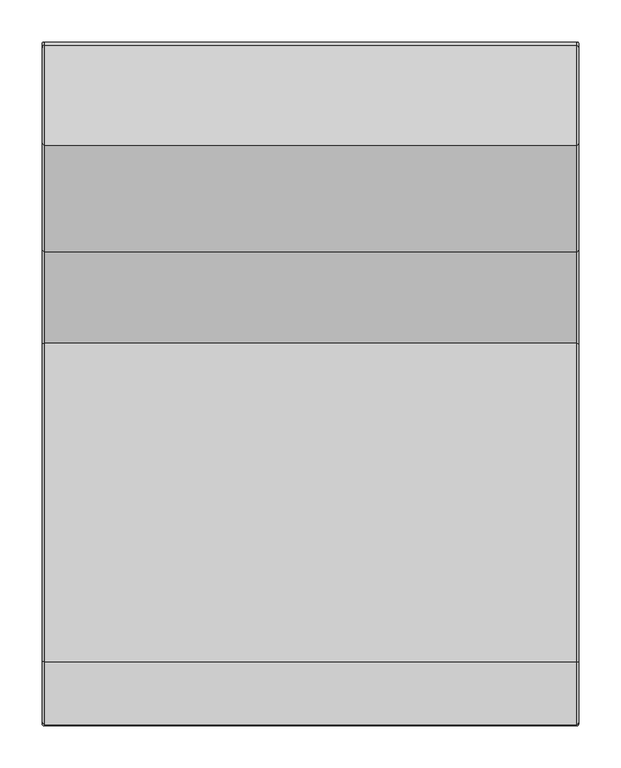
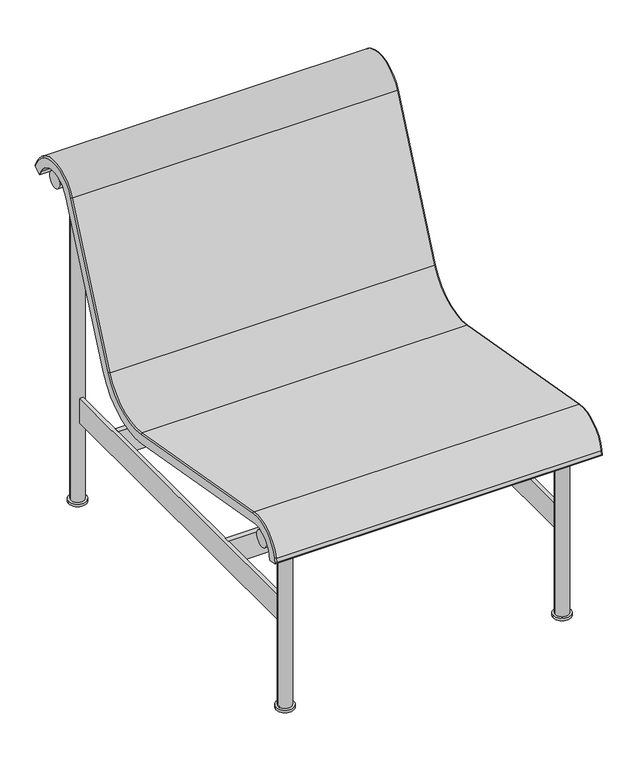
"""IFC4 building model written with IfcOpenShell, lengths in millimetres: furniture geometry."""

import ifcopenshell
import ifcopenshell.guid

model = None  # the IFC model being written
_history = None  # IfcOwnerHistory: only IFC2X3 demands one
_inside = {}  # id of a spatial element -> (the spatial element, [elements in it])
_under = {}  # id of a project, library or spatial element -> (it, [spatial elements below it])
_declared = {}  # id of a project -> (the project, [libraries it declares])
_typed = {}  # id of a type object -> (the type object, [elements of that type])
_made_of = {}  # id of a material, layer set ... -> (it, [elements and type objects made of it])


def new_model(schema):
    """Start an empty IFC model of exactly this schema.

    Asked for "IFC4X3", IfcOpenShell would pick the latest addendum, in which some entities
    have other attributes; the version numbers below select the first issue.
    IFC2X3 requires an IfcOwnerHistory on every rooted entity: one is made here for all.
    """
    global model, _history
    if schema == "IFC4X3":
        model = ifcopenshell.file(schema_version=(4, 3, 0, 0))
    else:
        model = ifcopenshell.file(schema=schema)
    _inside.clear()
    _under.clear()
    _declared.clear()
    _typed.clear()
    _made_of.clear()
    _history = None
    if model.schema == "IFC2X3":
        org = make("IfcOrganization", Name="unknown")
        user = make(
            "IfcPersonAndOrganization",
            ThePerson=make("IfcPerson", FamilyName="unknown"),
            TheOrganization=org,
        )
        app = make(
            "IfcApplication",
            ApplicationDeveloper=org,
            Version="unknown",
            ApplicationFullName="unknown",
            ApplicationIdentifier="unknown",
        )
        _history = make(
            "IfcOwnerHistory",
            OwningUser=user,
            OwningApplication=app,
            ChangeAction="ADDED",
            CreationDate=0,
        )
    return model


def make(cls, **values):
    """One entity of the class cls with the attributes given. An attribute that is None is left unset."""
    return model.create_entity(
        cls, **{name: value for name, value in values.items() if value is not None}
    )


def rooted(cls, **values):
    """An entity with a GlobalId (a new one), such as an element, a storey or a relation."""
    return make(cls, GlobalId=ifcopenshell.guid.new(), OwnerHistory=_history, **values)


def si_unit(unit_type, name, prefix=None):
    """IfcSIUnit, for example si_unit("LENGTHUNIT", "METRE", prefix="MILLI")."""
    return make("IfcSIUnit", UnitType=unit_type, Prefix=prefix, Name=name)


def assignment(units):
    """IfcUnitAssignment: the units of a project."""
    return None if units is None else make("IfcUnitAssignment", Units=units)


def point(xyz):
    """IfcCartesianPoint."""
    return None if xyz is None else make("IfcCartesianPoint", Coordinates=xyz)


def direction(xyz):
    """IfcDirection."""
    return None if xyz is None else make("IfcDirection", DirectionRatios=xyz)


def frame(location, z_axis=None, x_axis=None):
    """IfcAxis2Placement3D, a coordinate frame: its origin and axes. An axis left out is left unset."""
    return make(
        "IfcAxis2Placement3D",
        Location=point(location),
        Axis=direction(z_axis),
        RefDirection=direction(x_axis),
    )


def frame_2d(location, x_axis=None):
    """IfcAxis2Placement2D, a coordinate frame in the plane: its origin and x axis."""
    return make(
        "IfcAxis2Placement2D", Location=point(location), RefDirection=direction(x_axis)
    )


def origin():
    """The frame at (0, 0, 0) with its axes left unset."""
    return frame((0.0, 0.0, 0.0))


def origin_with_axes():
    """The frame at (0, 0, 0) with the z axis (0, 0, 1) and the x axis (1, 0, 0) written out."""
    return frame((0.0, 0.0, 0.0), z_axis=(0.0, 0.0, 1.0), x_axis=(1.0, 0.0, 0.0))


def place(relative_to, where):
    """IfcLocalPlacement: puts the frame where relative to a parent placement (None: the world)."""
    return make(
        "IfcLocalPlacement", PlacementRelTo=relative_to, RelativePlacement=where
    )


def context(
    kind, dimensions, precision=None, world=None, true_north=None, identifier=None
):
    """IfcGeometricRepresentationContext, for example the 3D "Model" context."""
    return make(
        "IfcGeometricRepresentationContext",
        ContextIdentifier=identifier,
        ContextType=kind,
        CoordinateSpaceDimension=dimensions,
        Precision=precision,
        WorldCoordinateSystem=world,
        TrueNorth=true_north,
    )


def project(units=None, contexts=None):
    """IfcProject with its units and contexts."""
    return rooted(
        "IfcProject",
        Name="project",
        RepresentationContexts=contexts,
        UnitsInContext=assignment(units),
    )


def spatial(cls, under=None, at=None, **own):
    """A site, building, storey or space (cls), placed at a placement, below another one or the project."""
    s = rooted(cls, ObjectPlacement=at, **own)
    if under is not None:
        _under.setdefault(under.id(), (under, []))[1].append(s)
    return s


def polyline(points):
    """IfcPolyline through the points."""
    return make("IfcPolyline", Points=[point(p) for p in points])


def circle_curve(where, radius):
    """IfcCircle in the frame where."""
    return make("IfcCircle", Position=where, Radius=radius)


def ellipse_curve(where, semi_axis1, semi_axis2):
    """IfcEllipse in the frame where."""
    return make(
        "IfcEllipse", Position=where, SemiAxis1=semi_axis1, SemiAxis2=semi_axis2
    )


def trimmed(basis, trim1, trim2, sense, master):
    """IfcTrimmedCurve: the piece of a basis curve between two trims."""
    return make(
        "IfcTrimmedCurve",
        BasisCurve=basis,
        Trim1=trim1,
        Trim2=trim2,
        SenseAgreement=sense,
        MasterRepresentation=master,
    )


def segment(curve, same_sense, transition):
    """IfcCompositeCurveSegment."""
    return make(
        "IfcCompositeCurveSegment",
        Transition=transition,
        SameSense=same_sense,
        ParentCurve=curve,
    )


def composite_curve(segments, self_intersect=None):
    """IfcCompositeCurve: segments joined end to end."""
    return make("IfcCompositeCurve", Segments=segments, SelfIntersect=self_intersect)


def outline(outer, holes=None, kind="AREA"):
    """IfcArbitraryClosedProfileDef: a profile drawn as a closed curve; with holes, ...WithVoids."""
    if holes is None:
        return make("IfcArbitraryClosedProfileDef", ProfileType=kind, OuterCurve=outer)
    return make(
        "IfcArbitraryProfileDefWithVoids",
        ProfileType=kind,
        OuterCurve=outer,
        InnerCurves=holes,
    )


def extrude(swept, where, along, depth):
    """IfcExtrudedAreaSolid: the profile swept, set in the frame where, extruded along a direction by depth."""
    return make(
        "IfcExtrudedAreaSolid",
        SweptArea=swept,
        Position=where,
        ExtrudedDirection=direction(along),
        Depth=depth,
    )


def shape(context_of_items, identifier, shape_type, items):
    """IfcShapeRepresentation: the items that make up one representation, for example the "Body"."""
    return make(
        "IfcShapeRepresentation",
        ContextOfItems=context_of_items,
        RepresentationIdentifier=identifier,
        RepresentationType=shape_type,
        Items=items,
    )


def source(mapping_origin, context_of_items, identifier, shape_type, items):
    """IfcRepresentationMap: a shape defined once, which mapped items show again and again."""
    return make(
        "IfcRepresentationMap",
        MappingOrigin=mapping_origin,
        MappedRepresentation=shape(context_of_items, identifier, shape_type, items),
    )


def transform(
    local_origin,
    x_axis=None,
    y_axis=None,
    z_axis=None,
    scale=None,
    scale2=None,
    scale3=None,
    uniform=True,
):
    """IfcCartesianTransformationOperator3D, or its non-uniform kind. x_axis, y_axis, z_axis: its Axis1, 2, 3."""
    if uniform:
        return make(
            "IfcCartesianTransformationOperator3D",
            Axis1=direction(x_axis),
            Axis2=direction(y_axis),
            LocalOrigin=point(local_origin),
            Scale=scale,
            Axis3=direction(z_axis),
        )
    return make(
        "IfcCartesianTransformationOperator3DnonUniform",
        Axis1=direction(x_axis),
        Axis2=direction(y_axis),
        LocalOrigin=point(local_origin),
        Scale=scale,
        Axis3=direction(z_axis),
        Scale2=scale2,
        Scale3=scale3,
    )


def mapped(mapping_source, mapping_target):
    """IfcMappedItem: shows the shape of a source again, moved by a transform."""
    return make(
        "IfcMappedItem", MappingSource=mapping_source, MappingTarget=mapping_target
    )


def made_of(thing, what):
    """Note that an element or type object is made of a material, layer set ...; save() writes the relation."""
    if what is not None:
        _made_of.setdefault(what.id(), (what, []))[1].append(thing)
    return thing


def element(
    cls,
    number,
    at=None,
    inside=None,
    cuts=None,
    type_object=None,
    material=None,
    context=None,
    identifier="Body",
    shape_type=None,
    held_by="IfcProductDefinitionShape",
    body=None,
    shapes=None,
    **own,
):
    """One element of the class cls, such as IfcWall. Its Tag is "e" and its number.

    at: its placement. inside: the storey or other place that contains it. cuts: it is an
    opening in that element (IfcRelVoidsElement). A single representation is given by context,
    identifier, shape_type and body (its items); several are given by shapes. held_by: the class
    of the entity that holds the representations. save() writes the other relations.
    """
    e = rooted(cls, Tag="e%d" % number, ObjectPlacement=at, **own)
    if body is not None:
        shapes = [shape(context, identifier, shape_type, body)]
    if shapes is not None:
        e.Representation = make(held_by, Representations=shapes)
    if inside is not None:
        _inside.setdefault(inside.id(), (inside, []))[1].append(e)
    if cuts is not None:
        rooted(
            "IfcRelVoidsElement", RelatingBuildingElement=cuts, RelatedOpeningElement=e
        )
    if type_object is not None:
        _typed.setdefault(type_object.id(), (type_object, []))[1].append(e)
    return made_of(e, material)


def aggregate(whole, parts):
    """IfcRelAggregates: a whole, such as a stair, and the parts it consists of."""
    return rooted("IfcRelAggregates", RelatingObject=whole, RelatedObjects=parts)


def save(model, path):
    """Write the relations noted so far, then the file.

    IfcRelAggregates (storeys below a building ...), IfcRelContainedInSpatialStructure (elements
    in a storey), IfcRelDefinesByType, IfcRelAssociatesMaterial and IfcRelDeclares: one each for
    every whole, place, type object, material and project.
    """
    for whole, parts in _under.values():
        aggregate(whole, parts)
    for where, things in _inside.values():
        rooted(
            "IfcRelContainedInSpatialStructure",
            RelatedElements=things,
            RelatingStructure=where,
        )
    for kind, things in _typed.values():
        rooted("IfcRelDefinesByType", RelatedObjects=things, RelatingType=kind)
    for what, things in _made_of.values():
        rooted("IfcRelAssociatesMaterial", RelatedObjects=things, RelatingMaterial=what)
    for by, libraries in _declared.values():
        rooted("IfcRelDeclares", RelatingContext=by, RelatedDefinitions=libraries)
    model.write(path)


def plane_surface(at):
    """IfcPlane: the flat surface through the origin of the frame at, square to its z axis."""
    return make("IfcPlane", Position=at)


def cylinder_surface(at, radius):
    """IfcCylindricalSurface: all points at the distance radius from the z axis of the frame at."""
    return make("IfcCylindricalSurface", Position=at, Radius=radius)


def revolved_surface(curve, axis_point, axis_direction):
    """IfcSurfaceOfRevolution: the curve turned about the line through axis_point along axis_direction."""
    return make(
        "IfcSurfaceOfRevolution",
        SweptCurve=make("IfcArbitraryOpenProfileDef", ProfileType="CURVE", Curve=curve),
        AxisPosition=make("IfcAxis1Placement", Location=point(axis_point), Axis=direction(axis_direction)),
    )


def advanced_brep(points, edges, surfaces, faces):
    """IfcAdvancedBrep: a solid bounded by faces that lie on surfaces and meet in shared edges.

    An edge is (start, end): straight between two places in points (the first is 0);
    or (start, end, curve); or (start, end, curve, False) where it runs against its curve.
    A face is (place in surfaces, loops), or (place, loops, False) where it looks against
    its surface's normal. A loop lists edges by number (the first is 1), with a minus sign
    where the edge is run from its end to its start. The first loop is the outer one.
    """
    corners = [point(p) for p in points]
    vertices = [make("IfcVertexPoint", VertexGeometry=c) for c in corners]
    made = []
    for start, end, *more in edges:
        made.append(
            make(
                "IfcEdgeCurve",
                EdgeStart=vertices[start],
                EdgeEnd=vertices[end],
                EdgeGeometry=more[0] if more else make("IfcPolyline", Points=[corners[start], corners[end]]),
                SameSense=more[1] if len(more) > 1 else True,
            )
        )
    hull = []
    for where, loops, *sense in faces:
        bounds = []
        for j, loop in enumerate(loops):
            ring = [make("IfcOrientedEdge", EdgeElement=made[abs(k) - 1], Orientation=k > 0) for k in loop]
            bounds.append(
                make(
                    "IfcFaceOuterBound" if j == 0 else "IfcFaceBound",
                    Bound=make("IfcEdgeLoop", EdgeList=ring),
                    Orientation=True,
                )
            )
        hull.append(make("IfcAdvancedFace", Bounds=bounds, FaceSurface=surfaces[where], SameSense=sense[0] if sense else True))
    return make("IfcAdvancedBrep", Outer=make("IfcClosedShell", CfsFaces=hull))


def furniture_4419f9aa(model_context):
    return source(origin(), model_context, "Body", "SolidModel", [
        advanced_brep(
        [(319.0000801, -388.7630396, 344.2221828), (319.0000801, -386.6445717, 354.1887908), (319.0000801, -334.8137617, 389.1491136), (319.0000801, 43.3199172, 322.4739437), (319.0000801, 173.7831535, 391.8424769), (319.0000801, 300.0909448, 675.5344209), (319.0000801, 382.8976748, 677.7027915), (319.0000801, 387.7145515, 668.2491387), (319.0000801, 402.8355839, 675.9536895), (319.0000801, 398.0187072, 685.4073423), (319.0000801, 284.5874101, 682.4370393), (319.0000801, 158.2796189, 398.7450952), (319.0000801, 46.2668538, 339.1868516), (319.0000801, -331.8668251, 405.8620215), (319.0000801, -403.2444519, 357.7172042), (319.0000801, -405.3629199, 347.7505963), (-318.9999199, 387.7145515, 668.2491387), (-318.9999199, 382.8976748, 677.7027915), (-318.9999199, 300.0909448, 675.5344209), (-318.9999199, 173.7831535, 391.8424769), (-318.9999199, 43.3199172, 322.4739437), (-318.9999199, -334.8137617, 389.1491136), (-318.9999199, -386.6445717, 354.1887908), (-318.9999199, -388.7630396, 344.2221828), (-318.9999199, -405.3629199, 347.7505963), (-318.9999199, -403.2444519, 357.7172042), (-318.9999199, -331.8668251, 405.8620215), (-318.9999199, 46.2668538, 339.1868516), (-318.9999199, 158.2796189, 398.7450952), (-318.9999199, 284.5874101, 682.4370393), (-318.9999199, 398.0187072, 685.4073423), (-318.9999199, 402.8355839, 675.9536895), (315.9708116, 46.7928808, 342.1700987), (-315.9706527, 46.7928808, 342.1700987), (-315.9706513, -331.3407981, 408.8452686), (315.9708116, -331.3407981, 408.8452686), (-315.9706513, -406.2075237, 358.3470246), (315.9708116, -406.2075237, 358.3470246), (-315.9706513, -407.6961713, 351.3434884), (315.9708116, -407.6961713, 351.3434884), (-315.9706531, 400.7178052, 686.7826014), (315.9708116, 400.7178052, 686.7826014), (315.9708116, 404.1594228, 680.0280467), (-315.9706513, 404.1594228, 680.0280467), (-315.9706513, 281.8200356, 683.6691538), (315.9708116, 281.8200356, 683.6691538), (-315.9706513, 155.5122443, 399.9772097), (315.9708116, 155.5122443, 399.9772097)],
        [
            (0, 1),
            (1, 2, circle_curve(frame((319.0000801, -342.6279297, 344.8327647), z_axis=(-1.0, 0.0, 0.0), x_axis=(0.0, -1.0, 0.0)), 45.0)),
            (2, 3),
            (3, 4, circle_curve(frame((319.0000801, 64.1576986, 440.650874), z_axis=(1.0, 0.0, 0.0), x_axis=(0.0, -1.0, 0.0)), 120.0)),
            (4, 5),
            (5, 6, circle_curve(frame((319.0000801, 342.0114396, 656.8702141), z_axis=(-1.0, 0.0, 0.0), x_axis=(0.0, -1.0, 0.0)), 45.8876945)),
            (6, 7),
            (7, 8),
            (8, 9),
            (9, 10, circle_curve(frame((319.0000801, 342.0114396, 656.8702141), z_axis=(1.0, 0.0, 0.0), x_axis=(0.0, 0.8910065241883733, 0.453990499739536)), 62.8584259)),
            (10, 11),
            (11, 12, circle_curve(frame((319.0000801, 64.1576986, 440.650874), z_axis=(-1.0, 0.0, 0.0), x_axis=(0.0, 0.9135454576427094, -0.4067366430755564)), 103.0292686)),
            (12, 13),
            (13, 14, circle_curve(frame((319.0000801, -342.6279297, 344.8327647), z_axis=(1.0, 0.0, 0.0), x_axis=(0.0, 0.17364817766694957, 0.9848077530122047)), 61.9707314)),
            (14, 15),
            (15, 0),
            (16, 17),
            (17, 18, circle_curve(frame((-318.9999199, 342.0114396, 656.8702141), z_axis=(1.0, 0.0, 0.0), x_axis=(0.0, -1.0, 0.0)), 45.8876945)),
            (18, 19),
            (19, 20, circle_curve(frame((-318.9999199, 64.1576986, 440.650874), z_axis=(-1.0, 0.0, 0.0), x_axis=(0.0, -1.0, 0.0)), 120.0)),
            (20, 21),
            (21, 22, circle_curve(frame((-318.9999199, -342.6279297, 344.8327647), z_axis=(1.0, 0.0, 0.0), x_axis=(0.0, -1.0, 0.0)), 45.0)),
            (22, 23),
            (23, 24),
            (24, 25),
            (25, 26, circle_curve(frame((-318.9999199, -342.6279297, 344.8327647), z_axis=(-1.0, 0.0, 0.0), x_axis=(0.0, -0.9781476007338037, 0.2079116908177683)), 61.9707314)),
            (26, 27),
            (27, 28, circle_curve(frame((-318.9999199, 64.1576986, 440.650874), z_axis=(1.0, 0.0, 0.0), x_axis=(0.0, -0.17364817766693108, -0.9848077530122079)), 103.0292686)),
            (28, 29),
            (29, 30, circle_curve(frame((-318.9999199, 342.0114396, 656.8702141), z_axis=(-1.0, 0.0, 0.0), x_axis=(0.0, -0.9135454576427015, 0.40673664307557433)), 62.8584259)),
            (30, 31),
            (31, 16),
            (32, 33),
            (33, 34),
            (34, 35),
            (35, 32),
            (34, 36, circle_curve(frame((-315.9706513, -342.6279297, 344.8327647), z_axis=(1.0, 0.0, 0.0), x_axis=(0.0, -1.0, 0.0)), 65.0)),
            (36, 37),
            (37, 35, circle_curve(frame((315.9708116, -342.6279297, 344.8327647), z_axis=(-1.0, 0.0, 0.0), x_axis=(0.0, -1.0, 0.0)), 65.0)),
            (36, 38),
            (38, 39),
            (39, 37),
            (23, 0),
            (15, 24),
            (22, 1),
            (21, 2),
            (20, 3),
            (19, 4),
            (18, 5),
            (17, 6),
            (16, 7),
            (31, 8),
            (40, 41),
            (41, 42),
            (42, 43),
            (43, 40),
            (40, 44, circle_curve(frame((-315.9706513, 342.0114396, 656.8702141), z_axis=(1.0, 0.0, 0.0), x_axis=(0.0, -1.0, 0.0)), 65.8876945)),
            (44, 45),
            (45, 41, circle_curve(frame((315.9708116, 342.0114396, 656.8702141), z_axis=(-1.0, 0.0, 0.0), x_axis=(0.0, -1.0, 0.0)), 65.8876945)),
            (44, 46),
            (46, 47),
            (47, 45),
            (32, 47, circle_curve(frame((315.9708116, 64.1576986, 440.650874), z_axis=(1.0, 0.0, 0.0), x_axis=(0.0, -1.0, 0.0)), 100.0)),
            (46, 33, circle_curve(frame((-315.9706513, 64.1576986, 440.650874), z_axis=(-1.0, 0.0, 0.0), x_axis=(0.0, -1.0, 0.0)), 100.0)),
            (46, 28, circle_curve(frame((-315.9706513, 158.2796189, 398.7450952), z_axis=(0.0, -0.4067366430755688, -0.9135454576427038), x_axis=(1.0, 0.0, 0.0)), 3.0292686)),
            (27, 33, circle_curve(frame((-315.9706513, 46.2668538, 339.1868516), z_axis=(0.0, 0.9848077530122079, -0.17364817766693086), x_axis=(1.0, 0.0, 0.0)), 3.0292686)),
            (44, 29, circle_curve(frame((-315.9706513, 284.5874101, 682.4370393), z_axis=(0.0, -0.40673664307556795, -0.9135454576427043), x_axis=(1.0, 0.0, 0.0)), 3.0292686)),
            (40, 30, circle_curve(frame((-315.9706513, 398.0187072, 685.4073423), z_axis=(0.0, -0.4539904997395495, 0.8910065241883665), x_axis=(1.0, 0.0, 0.0)), 3.0292686)),
            (43, 31, ellipse_curve(frame((-315.9706513, 401.4603247, 678.6527875), z_axis=(-0.7071067811865474, -0.3210197609601037, 0.6300367553350504), x_axis=(-0.7071067811865478, 0.32101976096010315, -0.6300367553350501)), 4.2840327, 3.0292686)),
            (42, 8, ellipse_curve(frame((315.9708116, 401.4603247, 678.6527875), z_axis=(-0.7071067811865476, 0.32101976096010293, -0.6300367553350504), x_axis=(0.7071067811865475, 0.32101976096010326, -0.6300367553350503)), 4.2840327, 3.0292686)),
            (41, 9, circle_curve(frame((315.9708116, 398.0187072, 685.4073423), z_axis=(0.0, 0.4539904997395469, -0.8910065241883679), x_axis=(-1.0, 0.0, 0.0)), 3.0292686)),
            (45, 10, circle_curve(frame((315.9708116, 284.5874101, 682.4370393), z_axis=(0.0, 0.40673664307557245, 0.9135454576427022), x_axis=(-1.0, 0.0, 0.0)), 3.0292686)),
            (47, 11, circle_curve(frame((315.9708116, 158.2796189, 398.7450952), z_axis=(0.0, 0.4067366430755683, 0.9135454576427042), x_axis=(-1.0, 0.0, 0.0)), 3.0292686)),
            (32, 12, circle_curve(frame((315.9708116, 46.2668538, 339.1868516), z_axis=(0.0, 0.9848077530122081, -0.17364817766693041), x_axis=(-1.0, 0.0, 0.0)), 3.0292686)),
            (35, 13, circle_curve(frame((315.9708116, -331.8668251, 405.8620215), z_axis=(0.0, 0.9848077530122069, -0.17364817766693744), x_axis=(-1.0, 0.0, 0.0)), 3.0292686)),
            (37, 14, circle_curve(frame((315.9708116, -403.2444519, 357.7172042), z_axis=(0.0, 0.2079116908177669, 0.9781476007338039), x_axis=(-1.0, 0.0, 0.0)), 3.0292686)),
            (39, 15, ellipse_curve(frame((315.9708116, -404.7330995, 350.713668), z_axis=(0.7071067811865474, 0.14701576646520034, 0.6916548014802252), x_axis=(0.7071067811865475, -0.14701576646520065, -0.6916548014802252)), 4.2840327, 3.0292686)),
            (38, 24, ellipse_curve(frame((-315.9706513, -404.7330995, 350.713668), z_axis=(0.7071067811865475, -0.14701576646520087, -0.691654801480225), x_axis=(-0.7071067811865478, -0.14701576646520056, -0.691654801480225)), 4.2840327, 3.0292686)),
            (36, 25, circle_curve(frame((-315.9706513, -403.2444519, 357.7172042), z_axis=(0.0, -0.20791169081776256, -0.978147600733805), x_axis=(1.0, 0.0, 0.0)), 3.0292686)),
            (34, 26, circle_curve(frame((-315.9706513, -331.8668251, 405.8620215), z_axis=(0.0, -0.9848077530122066, 0.1736481776669383), x_axis=(1.0, 0.0, 0.0)), 3.0292686)),
        ],
        [
            plane_surface(frame((319.0000801, -330.1637759, 408.6377279), z_axis=(1.0, 0.0, 0.0), x_axis=(0.0, -0.9848077530122068, 0.17364817766693752))),
            plane_surface(frame((-318.9999199, -330.1637759, 408.6377279), z_axis=(-1.0, 0.0, 0.0), x_axis=(0.0, 0.9848077530122068, -0.17364817766693752))),
            plane_surface(frame((319.0000801, 46.7928808, 342.1700987), z_axis=(0.0, 0.17364817766693752, 0.9848077530122068), x_axis=(-1.0, 0.0, 0.0))),
            cylinder_surface(frame((-318.9999199, -342.6279297, 344.8327647), z_axis=(1.0, 0.0, 0.0), x_axis=(0.0, -1.0, 0.0)), 65.0),
            plane_surface(frame((319.0000801, -406.2075237, 358.3470246), z_axis=(0.0, -0.978147600733805, 0.20791169081776237), x_axis=(-1.0, 0.0, 0.0))),
            plane_surface(frame((319.0000801, -408.3259916, 348.3804166), z_axis=(0.0, -0.20791169081776403, -0.9781476007338047), x_axis=(-1.0, 0.0, 0.0))),
            plane_surface(frame((319.0000801, -388.7630396, 344.2221828), z_axis=(0.0, 0.9781476007338061, -0.20791169081775737), x_axis=(-1.0, 0.0, 0.0))),
            revolved_surface(polyline([(-318.9999199, -387.6279297, 344.8327647), (319.0000801, -387.6279297, 344.8327647)]), (-318.9999199, -342.6279297, 344.8327647), (-1.0, 0.0, 0.0)),
            plane_surface(frame((319.0000801, -334.8137617, 389.1491136), z_axis=(0.0, -0.17364817766693783, -0.9848077530122068), x_axis=(-1.0, 0.0, 0.0))),
            cylinder_surface(frame((-318.9999199, 64.1576986, 440.650874), z_axis=(1.0, 0.0, 0.0), x_axis=(0.0, -1.0, 0.0)), 120.0),
            plane_surface(frame((319.0000801, 173.7831535, 391.8424769), z_axis=(0.0, 0.9135454576427045, -0.40673664307556795), x_axis=(-1.0, 0.0, 0.0))),
            revolved_surface(polyline([(-318.9999199, 296.1237451, 656.8702141), (319.0000801, 296.1237451, 656.8702141)]), (-318.9999199, 342.0114396, 656.8702141), (-1.0, 0.0, 0.0)),
            plane_surface(frame((319.0000801, 382.8976748, 677.7027915), z_axis=(0.0, -0.8910065241883677, -0.45399049973954725), x_axis=(-1.0, 0.0, 0.0))),
            plane_surface(frame((319.0000801, 387.7145515, 668.2491387), z_axis=(0.0, 0.45399049973954636, -0.8910065241883681), x_axis=(-1.0, 0.0, 0.0))),
            plane_surface(frame((319.0000801, 405.5346819, 677.3289486), z_axis=(0.0, 0.8910065241883678, 0.4539904997395471), x_axis=(-1.0, 0.0, 0.0))),
            cylinder_surface(frame((-318.9999199, 342.0114396, 656.8702141), z_axis=(1.0, 0.0, 0.0), x_axis=(0.0, -1.0, 0.0)), 65.8876945),
            plane_surface(frame((319.0000801, 281.8200356, 683.6691538), z_axis=(0.0, -0.9135454576427042, 0.4067366430755681), x_axis=(-1.0, 0.0, 0.0))),
            revolved_surface(polyline([(-315.9706527, -35.8423014, 440.650874), (315.97081160000005, -35.8423014, 440.650874)]), (-318.9999199, 64.1576986, 440.650874), (-1.0, 0.0, 0.0)),
            revolved_surface(trimmed(ellipse_curve(frame((-315.9706513, 46.2668538, 339.1868516), z_axis=(0.0, -0.9848077530122079, 0.17364817766693086), x_axis=(1.0, 0.0, 0.0)), 3.0292686, 3.0292686), [point((-315.9706513, 46.7928808, 342.1700987))], [point((-318.9999199, 46.2668538, 339.1868516))], True, "CARTESIAN"), (-318.9999199, 64.1576986, 440.650874), (1.0, 0.0, 0.0)),
            cylinder_surface(frame((-315.9706513, 158.2796189, 398.7450952), z_axis=(0.0, 0.40673664307556795, 0.9135454576427043), x_axis=(1.0, 0.0, 0.0)), 3.0292686),
            revolved_surface(trimmed(ellipse_curve(frame((-315.9706513, 284.5874101, 682.4370393), z_axis=(0.0, -0.40673664307557406, -0.9135454576427016), x_axis=(1.0, 0.0, 0.0)), 3.0292686, 3.0292686), [point((-315.9706513, 281.8200356, 683.6691538))], [point((-318.9999199, 284.5874101, 682.4370393))], True, "CARTESIAN"), (-318.9999199, 342.0114396, 656.8702141), (-1.0, 0.0, 0.0)),
            cylinder_surface(frame((-315.9706513, 398.0187072, 685.4073423), z_axis=(0.0, 0.45399049973954736, -0.8910065241883677), x_axis=(1.0, 0.0, 0.0)), 3.0292686),
            cylinder_surface(frame((-318.9999199, 401.4603247, 678.6527875), z_axis=(1.0, 0.0, 0.0), x_axis=(0.0, -0.4539904997395471, 0.8910065241883678)), 3.0292686),
            cylinder_surface(frame((315.9708116, 402.8355839, 675.9536895), z_axis=(0.0, -0.4539904997395469, 0.8910065241883679), x_axis=(-1.0, 0.0, 0.0)), 3.0292686),
            revolved_surface(trimmed(ellipse_curve(frame((315.9708116, 398.0187072, 685.4073423), z_axis=(0.0, 0.45399049973953576, -0.8910065241883734), x_axis=(-1.0, 0.0, 0.0)), 3.0292686, 3.0292686), [point((315.9708116, 400.7178052, 686.7826014))], [point((319.0000801, 398.0187072, 685.4073423))], True, "CARTESIAN"), (319.0000801, 342.0114396, 656.8702141), (1.0, 0.0, 0.0)),
            cylinder_surface(frame((315.9708116, 284.5874101, 682.4370393), z_axis=(0.0, -0.4067366430755683, -0.9135454576427042), x_axis=(-1.0, 0.0, 0.0)), 3.0292686),
            revolved_surface(trimmed(ellipse_curve(frame((315.9708116, 158.2796189, 398.7450952), z_axis=(0.0, 0.4067366430755564, 0.9135454576427094), x_axis=(-1.0, 0.0, 0.0)), 3.0292686, 3.0292686), [point((315.9708116, 155.5122443, 399.9772097))], [point((319.0000801, 158.2796189, 398.7450952))], True, "CARTESIAN"), (319.0000801, 64.1576986, 440.650874), (-1.0, 0.0, 0.0)),
            cylinder_surface(frame((315.9708116, 46.2668538, 339.1868516), z_axis=(0.0, -0.9848077530122069, 0.17364817766693744), x_axis=(-1.0, 0.0, 0.0)), 3.0292686),
            revolved_surface(trimmed(ellipse_curve(frame((315.9708116, -331.8668251, 405.8620215), z_axis=(0.0, 0.9848077530122047, -0.17364817766694943), x_axis=(-1.0, 0.0, 0.0)), 3.0292686, 3.0292686), [point((315.9708116, -331.3407981, 408.8452686))], [point((319.0000801, -331.8668251, 405.8620215))], True, "CARTESIAN"), (319.0000801, -342.6279297, 344.8327647), (1.0, 0.0, 0.0)),
            cylinder_surface(frame((315.9708116, -403.2444519, 357.7172042), z_axis=(0.0, -0.20791169081776217, -0.978147600733805), x_axis=(-1.0, 0.0, 0.0)), 3.0292686),
            cylinder_surface(frame((319.0000801, -404.7330995, 350.713668), z_axis=(-1.0, 0.0, 0.0), x_axis=(0.0, 0.2079116908177624, 0.978147600733805)), 3.0292686),
            cylinder_surface(frame((-315.9706513, -405.3629199, 347.7505963), z_axis=(0.0, 0.20791169081776256, 0.978147600733805), x_axis=(1.0, 0.0, 0.0)), 3.0292686),
            revolved_surface(trimmed(ellipse_curve(frame((-315.9706513, -403.2444519, 357.7172042), z_axis=(0.0, -0.20791169081776842, -0.9781476007338037), x_axis=(1.0, 0.0, 0.0)), 3.0292686, 3.0292686), [point((-315.9706513, -406.2075237, 358.3470246))], [point((-318.9999199, -403.2444519, 357.7172042))], True, "CARTESIAN"), (-318.9999199, -342.6279297, 344.8327647), (-1.0, 0.0, 0.0)),
            cylinder_surface(frame((-315.9706513, -331.8668251, 405.8620215), z_axis=(0.0, 0.9848077530122068, -0.17364817766693771), x_axis=(1.0, 0.0, 0.0)), 3.0292686),
        ],
        [
            (0, [[1, 2, 3, 4, 5, 6, 7, 8, 9, 10, 11, 12, 13, 14, 15, 16]]),
            (1, [[17, 18, 19, 20, 21, 22, 23, 24, 25, 26, 27, 28, 29, 30, 31, 32]]),
            (2, [[33, 34, 35, 36]]),
            (3, [[-35, 37, 38, 39]]),
            (4, [[-38, 40, 41, 42]]),
            (5, [[43, -16, 44, -24]]),
            (6, [[-1, -43, -23, 45]]),
            (7, [[-2, -45, -22, 46]]),
            (8, [[-3, -46, -21, 47]]),
            (9, [[-4, -47, -20, 48]]),
            (10, [[-5, -48, -19, 49]]),
            (11, [[-6, -49, -18, 50]]),
            (12, [[-7, -50, -17, 51]]),
            (13, [[-51, -32, 52, -8]]),
            (14, [[53, 54, 55, 56]]),
            (15, [[-53, 57, 58, 59]]),
            (16, [[-58, 60, 61, 62]]),
            (17, [[-33, 63, -61, 64]]),
            (18, [[65, -28, 66, -64]]),
            (19, [[-65, -60, 67, -29]]),
            (20, [[-67, -57, 68, -30]]),
            (21, [[-68, -56, 69, -31]]),
            (22, [[-69, -55, 70, -52]]),
            (23, [[-70, -54, 71, -9]]),
            (24, [[-71, -59, 72, -10]]),
            (25, [[-72, -62, 73, -11]]),
            (26, [[-73, -63, 74, -12]]),
            (27, [[-74, -36, 75, -13]]),
            (28, [[-75, -39, 76, -14]]),
            (29, [[-76, -42, 77, -15]]),
            (30, [[-77, -41, 78, -44]]),
            (31, [[-78, -40, 79, -25]]),
            (32, [[-79, -37, 80, -26]]),
            (33, [[-66, -27, -80, -34]]),
        ],
    ),
        extrude(outline(composite_curve([segment(trimmed(circle_curve(frame_2d((270.025, 345.3323767)), 10.0), [point((280.025, 345.3323767))], [point((260.025, 345.3323767))], False, "CARTESIAN"), True, "CONTINUOUS"), segment(trimmed(circle_curve(frame_2d((270.025, 345.3323767)), 10.0), [point((260.025, 345.3323767))], [point((280.025, 345.3323767))], False, "CARTESIAN"), True, "CONTINUOUS")], self_intersect=False)), origin_with_axes(), (0.0, 0.0, 1.0), 5.0095249),
        extrude(outline(composite_curve([segment(trimmed(circle_curve(frame_2d((270.025, 345.3323767)), 17.5), [point((287.525, 345.3323767))], [point((252.525, 345.3323767))], False, "CARTESIAN"), True, "CONTINUOUS"), segment(trimmed(circle_curve(frame_2d((270.025, 345.3323767)), 17.5), [point((252.525, 345.3323767))], [point((287.525, 345.3323767))], False, "CARTESIAN"), True, "CONTINUOUS")], self_intersect=False)), frame((0.0, 0.0, 5.0095249), z_axis=(0.0, 0.0, 1.0), x_axis=(1.0, 0.0, 0.0)), (0.0, 0.0, 1.0), 4.9904751),
        extrude(outline(composite_curve([segment(trimmed(circle_curve(frame_2d((270.025, 345.3323767)), 13.0), [point((283.025, 345.3323767))], [point((257.025, 345.3323767))], False, "CARTESIAN"), True, "CONTINUOUS"), segment(trimmed(circle_curve(frame_2d((270.025, 345.3323767)), 13.0), [point((257.025, 345.3323767))], [point((283.025, 345.3323767))], False, "CARTESIAN"), True, "CONTINUOUS")], self_intersect=False)), frame((0.0, 0.0, 10.0), z_axis=(0.0, 0.0, 1.0), x_axis=(1.0, 0.0, 0.0)), (0.0, 0.0, 1.0), 672.2046016),
        extrude(outline(composite_curve([segment(trimmed(circle_curve(frame_2d((270.025, -354.6676233)), 10.0), [point((280.025, -354.6676233))], [point((260.025, -354.6676233))], False, "CARTESIAN"), True, "CONTINUOUS"), segment(trimmed(circle_curve(frame_2d((270.025, -354.6676233)), 10.0), [point((260.025, -354.6676233))], [point((280.025, -354.6676233))], False, "CARTESIAN"), True, "CONTINUOUS")], self_intersect=False)), origin_with_axes(), (0.0, 0.0, 1.0), 5.0095249),
        extrude(outline(composite_curve([segment(trimmed(circle_curve(frame_2d((270.025, -354.6676233)), 17.5), [point((287.525, -354.6676233))], [point((252.525, -354.6676233))], False, "CARTESIAN"), True, "CONTINUOUS"), segment(trimmed(circle_curve(frame_2d((270.025, -354.6676233)), 17.5), [point((252.525, -354.6676233))], [point((287.525, -354.6676233))], False, "CARTESIAN"), True, "CONTINUOUS")], self_intersect=False)), frame((0.0, 0.0, 5.0095249), z_axis=(0.0, 0.0, 1.0), x_axis=(1.0, 0.0, 0.0)), (0.0, 0.0, 1.0), 4.9904751),
        extrude(outline(composite_curve([segment(trimmed(circle_curve(frame_2d((270.025, -354.6676233)), 13.0), [point((283.025, -354.6676233))], [point((257.025, -354.6676233))], False, "CARTESIAN"), True, "CONTINUOUS"), segment(trimmed(circle_curve(frame_2d((270.025, -354.6676233)), 13.0), [point((257.025, -354.6676233))], [point((283.025, -354.6676233))], False, "CARTESIAN"), True, "CONTINUOUS")], self_intersect=False)), frame((0.0, 0.0, 10.0), z_axis=(0.0, 0.0, 1.0), x_axis=(1.0, 0.0, 0.0)), (0.0, 0.0, 1.0), 357.3979993),
        extrude(outline(composite_curve([segment(trimmed(circle_curve(frame_2d((-270.025, 345.3323767)), 10.0), [point((-280.025, 345.3323767))], [point((-260.025, 345.3323767))], False, "CARTESIAN"), True, "CONTINUOUS"), segment(trimmed(circle_curve(frame_2d((-270.025, 345.3323767)), 10.0), [point((-260.025, 345.3323767))], [point((-280.025, 345.3323767))], False, "CARTESIAN"), True, "CONTINUOUS")], self_intersect=False)), origin_with_axes(), (0.0, 0.0, 1.0), 5.0095249),
        extrude(outline(composite_curve([segment(trimmed(circle_curve(frame_2d((-270.025, 345.3323767)), 17.5), [point((-287.525, 345.3323767))], [point((-252.525, 345.3323767))], False, "CARTESIAN"), True, "CONTINUOUS"), segment(trimmed(circle_curve(frame_2d((-270.025, 345.3323767)), 17.5), [point((-252.525, 345.3323767))], [point((-287.525, 345.3323767))], False, "CARTESIAN"), True, "CONTINUOUS")], self_intersect=False)), frame((0.0, 0.0, 5.0095249), z_axis=(0.0, 0.0, 1.0), x_axis=(1.0, 0.0, 0.0)), (0.0, 0.0, 1.0), 4.9904751),
        extrude(outline(composite_curve([segment(trimmed(circle_curve(frame_2d((-270.025, 345.3323767)), 13.0), [point((-283.025, 345.3323767))], [point((-257.025, 345.3323767))], False, "CARTESIAN"), True, "CONTINUOUS"), segment(trimmed(circle_curve(frame_2d((-270.025, 345.3323767)), 13.0), [point((-257.025, 345.3323767))], [point((-283.025, 345.3323767))], False, "CARTESIAN"), True, "CONTINUOUS")], self_intersect=False)), frame((0.0, 0.0, 10.0), z_axis=(0.0, 0.0, 1.0), x_axis=(1.0, 0.0, 0.0)), (0.0, 0.0, 1.0), 672.2046016),
        extrude(outline(composite_curve([segment(trimmed(circle_curve(frame_2d((-270.025, -354.6676233)), 10.0), [point((-280.025, -354.6676233))], [point((-260.025, -354.6676233))], False, "CARTESIAN"), True, "CONTINUOUS"), segment(trimmed(circle_curve(frame_2d((-270.025, -354.6676233)), 10.0), [point((-260.025, -354.6676233))], [point((-280.025, -354.6676233))], False, "CARTESIAN"), True, "CONTINUOUS")], self_intersect=False)), origin_with_axes(), (0.0, 0.0, 1.0), 5.0095249),
        extrude(outline(composite_curve([segment(trimmed(circle_curve(frame_2d((-270.025, -354.6676233)), 17.5), [point((-287.525, -354.6676233))], [point((-252.525, -354.6676233))], False, "CARTESIAN"), True, "CONTINUOUS"), segment(trimmed(circle_curve(frame_2d((-270.025, -354.6676233)), 17.5), [point((-252.525, -354.6676233))], [point((-287.525, -354.6676233))], False, "CARTESIAN"), True, "CONTINUOUS")], self_intersect=False)), frame((0.0, 0.0, 5.0095249), z_axis=(0.0, 0.0, 1.0), x_axis=(1.0, 0.0, 0.0)), (0.0, 0.0, 1.0), 4.9904751),
        extrude(outline(composite_curve([segment(trimmed(circle_curve(frame_2d((-270.025, -354.6676233)), 13.0), [point((-283.025, -354.6676233))], [point((-257.025, -354.6676233))], False, "CARTESIAN"), True, "CONTINUOUS"), segment(trimmed(circle_curve(frame_2d((-270.025, -354.6676233)), 13.0), [point((-257.025, -354.6676233))], [point((-283.025, -354.6676233))], False, "CARTESIAN"), True, "CONTINUOUS")], self_intersect=False)), frame((0.0, 0.0, 10.0), z_axis=(0.0, 0.0, 1.0), x_axis=(1.0, 0.0, 0.0)), (0.0, 0.0, 1.0), 357.3979993),
        extrude(outline(composite_curve([segment(trimmed(circle_curve(frame_2d((-354.6676233, 367.15)), 16.85), [point((-337.8176233, 367.15))], [point((-371.5176233, 367.15))], False, "CARTESIAN"), True, "CONTINUOUS"), segment(trimmed(circle_curve(frame_2d((-354.6676233, 367.15)), 16.85), [point((-371.5176233, 367.15))], [point((-337.8176233, 367.15))], False, "CARTESIAN"), True, "CONTINUOUS")], self_intersect=False)), frame((-314.9750977, 0.0, 0.0), z_axis=(1.0, 0.0, 0.0), x_axis=(0.0, 1.0, 0.0)), (0.0, 0.0, 1.0), 629.4750977),
        extrude(outline(composite_curve([segment(trimmed(circle_curve(frame_2d((345.3323767, 682.15)), 16.85), [point((362.1823767, 682.15))], [point((328.4823767, 682.15))], False, "CARTESIAN"), True, "CONTINUOUS"), segment(trimmed(circle_curve(frame_2d((345.3323767, 682.15)), 16.85), [point((328.4823767, 682.15))], [point((362.1823767, 682.15))], False, "CARTESIAN"), True, "CONTINUOUS")], self_intersect=False)), frame((-314.5, 0.0, 0.0), z_axis=(1.0, 0.0, 0.0), x_axis=(0.0, 1.0, 0.0)), (0.0, 0.0, 1.0), 629.0),
        extrude(outline(polyline([(266.0500977, -343.4225488), (266.0500977, 334.0873022), (273.9000977, 334.0873022), (273.9000977, -343.4225488), (266.0500977, -343.4225488)])), frame((0.0, 0.0, 175.0), z_axis=(0.0, 0.0, 1.0), x_axis=(1.0, 0.0, 0.0)), (0.0, 0.0, 1.0), 50.0),
        extrude(outline(polyline([(266.0500977, -146.5626978), (266.0500977, -156.9225488), (-266.0500977, -156.9225488), (-266.0500977, -146.5626978), (266.0500977, -146.5626978)])), frame((0.0, 0.0, 175.0), z_axis=(0.0, 0.0, 1.0), x_axis=(1.0, 0.0, 0.0)), (0.0, 0.0, 1.0), 50.0),
        extrude(outline(polyline([(266.0500977, 224.5123022), (266.0500977, 214.1524512), (-266.0500977, 214.1524512), (-266.0500977, 224.5123022), (266.0500977, 224.5123022)])), frame((0.0, 0.0, 175.0), z_axis=(0.0, 0.0, 1.0), x_axis=(1.0, 0.0, 0.0)), (0.0, 0.0, 1.0), 50.0),
        extrude(outline(polyline([(-266.0500977, 334.0873022), (-266.0500977, -343.4225488), (-273.9000977, -343.4225488), (-273.9000977, 334.0873022), (-266.0500977, 334.0873022)])), frame((0.0, 0.0, 175.0), z_axis=(0.0, 0.0, 1.0), x_axis=(1.0, 0.0, 0.0)), (0.0, 0.0, 1.0), 50.0),
    ])


if __name__ == "__main__":
    model = new_model("IFC4")
    model_context = context("Model", 3, world=origin())
    ifc_project = project(units=[si_unit("LENGTHUNIT", "METRE", prefix="MILLI")], contexts=[model_context])
    site = spatial("IfcSite", under=ifc_project)
    building = spatial("IfcBuilding", under=site)
    placement = place(None, origin())
    furniture_shape = furniture_4419f9aa(model_context)
    element("IfcFurniture", 1, at=placement, inside=building, context=model_context, shape_type="MappedRepresentation", body=[
        mapped(furniture_shape, transform((0.0, 0.0, 0.0), x_axis=(1.0, 0.0, 0.0), y_axis=(0.0, 1.0, 0.0), z_axis=(0.0, 0.0, 1.0))),
    ])
    save(model, "model.ifc")
